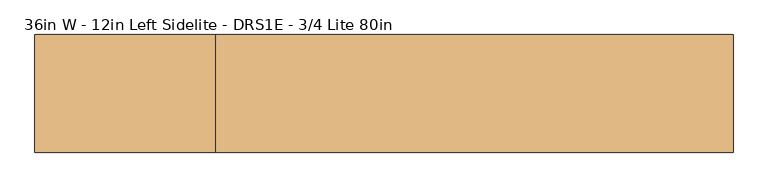
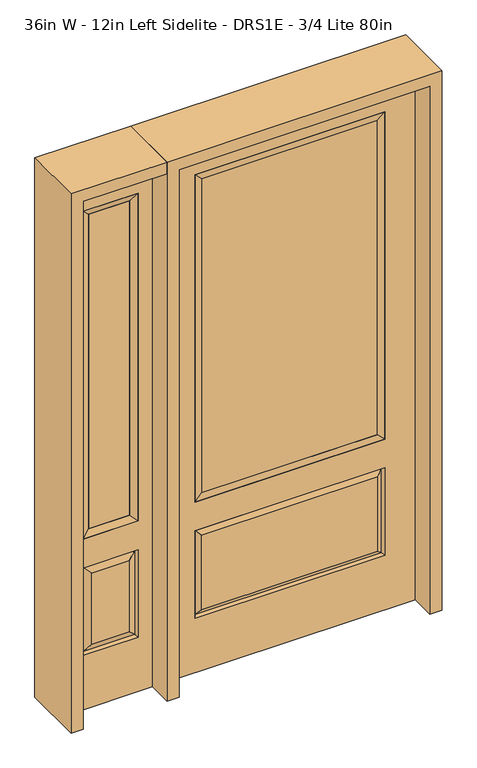
"""IFC4 building model written with IfcOpenShell, lengths in millimetres: door geometry, 36in W - 12in Left Sidelite - DRS1E - 3/4 Lite 80in."""

from ifc_helpers import new_model, si_unit, frame, origin, place, context, project, spatial, polyline, outline, extrude, faceted_brep, source, transform, mapped, element, save


def door_36in_w_12in_left_sidelite_drs1e_3_4_lite_80in_c12c0aec(model_context):
    return source(origin(), model_context, "Body", "SolidModel", [
        faceted_brep([(-806.45, -22.225, 0.0), (-501.65, -22.225, 0.0), (-501.65, -22.225, 2032.0), (-806.45, -22.225, 2032.0), (-553.72, -22.225, 1919.224), (-553.72, -22.225, 657.098), (-754.38, -22.225, 657.098), (-754.38, -22.225, 1919.224), (-553.72, -22.225, 209.55), (-754.38, -22.225, 209.55), (-754.38, -22.225, 546.1), (-553.72, -22.225, 546.1), (-722.6648999, -22.225, 241.2651001), (-585.4351001, -22.225, 241.2651001), (-585.4351001, -22.225, 514.3848999), (-722.6648999, -22.225, 514.3848999), (-806.45, 22.225, 0.0), (-806.45, 22.225, 2032.0), (-501.65, 22.225, 2032.0), (-501.65, 22.225, 0.0), (-553.72, 22.225, 1919.224), (-754.38, 22.225, 1919.224), (-754.38, 22.225, 657.098), (-553.72, 22.225, 657.098), (-754.38, 22.225, 209.55), (-553.72, 22.225, 209.55), (-553.72, 22.225, 546.1), (-754.38, 22.225, 546.1), (-585.4351001, 22.225, 241.2651001), (-722.6648999, 22.225, 241.2651001), (-722.6648999, 22.225, 514.3848999), (-585.4351001, 22.225, 514.3848999), (-560.8288501, 12.7912373, 216.6588501), (-747.2711499, 12.7912373, 216.6588501), (-747.2711499, 12.7912373, 538.9911499), (-560.8288501, 12.7912373, 538.9911499), (-747.2711499, -12.7912373, 216.6588501), (-560.8288501, -12.7912373, 216.6588501), (-747.2711499, -12.7912373, 538.9911499), (-560.8288501, -12.7912373, 538.9911499)], [[[0, 1, 2, 3], [4, 5, 6, 7], [8, 9, 10, 11]], [[12, 13, 14, 15]], [[16, 17, 18, 19], [20, 21, 22, 23], [24, 25, 26, 27]], [[28, 29, 30, 31]], [[1, 0, 16, 19]], [[2, 1, 19, 18]], [[3, 2, 18, 17]], [[0, 3, 17, 16]], [[5, 4, 20, 23]], [[6, 5, 23, 22]], [[7, 6, 22, 21]], [[4, 7, 21, 20]], [[32, 33, 29, 28]], [[33, 32, 25, 24]], [[29, 33, 34, 30]], [[33, 24, 27, 34]], [[30, 34, 35, 31]], [[34, 27, 26, 35]], [[32, 28, 31, 35]], [[25, 32, 35, 26]], [[12, 36, 37, 13]], [[37, 36, 9, 8]], [[36, 12, 15, 38]], [[9, 36, 38, 10]], [[38, 15, 14, 39]], [[10, 38, 39, 11]], [[13, 37, 39, 14]], [[37, 8, 11, 39]]]),
        faceted_brep([(-754.38, 22.225, 1919.224), (-754.38, -22.225, 1919.224), (-553.72, -22.225, 1919.224), (-553.72, 22.225, 1919.224), (-728.98, 12.7, 1893.824), (-579.12, 12.7, 1893.824), (-728.98, -12.7, 1893.824), (-579.12, -12.7, 1893.824), (-553.72, -22.225, 657.098), (-553.72, 22.225, 657.098), (-579.12, 12.7, 682.498), (-579.12, -12.7, 682.498), (-754.38, -22.225, 657.098), (-754.38, 22.225, 657.098), (-728.98, 12.7, 682.498), (-728.98, -12.7, 682.498)], [[[0, 1, 2, 3]], [[4, 0, 3, 5]], [[6, 4, 5, 7]], [[1, 6, 7, 2]], [[3, 2, 8, 9]], [[5, 3, 9, 10]], [[7, 5, 10, 11]], [[2, 7, 11, 8]], [[9, 8, 12, 13]], [[10, 9, 13, 14]], [[11, 10, 14, 15]], [[8, 11, 15, 12]], [[13, 12, 1, 0]], [[14, 13, 0, 4]], [[15, 14, 4, 6]], [[12, 15, 6, 1]]]),
        extrude(outline(polyline([(-579.12, -12.7), (-728.98, -12.7), (-728.98, 12.7), (-579.12, 12.7), (-579.12, -12.7)])), frame((0.0, 0.0, 682.498), z_axis=(0.0, 0.0, 1.0), x_axis=(1.0, 0.0, 0.0)), (0.0, 0.0, 1.0), 1211.326),
        faceted_brep([(-338.9661499, -12.7912373, 216.6588501), (338.9661499, -12.7912373, 216.6588501), (321.46875, -22.225, 234.15625), (-321.46875, -22.225, 234.15625), (-346.075, -22.225, 209.55), (346.075, -22.225, 209.55), (-338.9661499, -12.7912373, 538.9911499), (-346.075, -22.225, 546.1), (321.46875, -22.225, 521.49375), (-321.46875, -22.225, 521.49375), (457.2, -22.225, 2032.0), (-457.2, -22.225, 2032.0), (-457.2, -22.225, 0.0), (457.2, -22.225, 0.0), (346.075, -22.225, 546.1), (346.075, -22.225, 1917.7), (346.075, -22.225, 657.098), (-346.075, -22.225, 657.098), (-346.075, -22.225, 1917.7), (338.9661499, -12.7912373, 538.9911499), (-457.2, 22.225, 2032.0), (-457.2, 22.225, 0.0), (457.2, 22.225, 0.0), (457.2, 22.225, 2032.0), (346.075, 22.225, 1917.7), (346.075, 22.225, 657.098), (-346.075, 22.225, 657.098), (-346.075, 22.225, 1917.7), (-346.075, 22.225, 209.55), (346.075, 22.225, 209.55), (346.075, 22.225, 546.1), (-346.075, 22.225, 546.1), (321.46875, 22.225, 234.15625), (-321.46875, 22.225, 234.15625), (-321.46875, 22.225, 521.49375), (321.46875, 22.225, 521.49375), (-338.9661499, 12.7912373, 216.6588501), (338.9661499, 12.7912373, 216.6588501), (338.9661499, 12.7912373, 538.9911499), (-338.9661499, 12.7912373, 538.9911499)], [[[0, 1, 2, 3]], [[1, 0, 4, 5]], [[4, 0, 6, 7]], [[3, 2, 8, 9]], [[10, 11, 12, 13], [5, 4, 7, 14], [15, 16, 17, 18]], [[1, 5, 14, 19]], [[2, 1, 19, 8]], [[0, 3, 9, 6]], [[7, 6, 19, 14]], [[6, 9, 8, 19]], [[12, 11, 20, 21]], [[13, 12, 21, 22]], [[10, 13, 22, 23]], [[16, 15, 24, 25]], [[17, 16, 25, 26]], [[18, 17, 26, 27]], [[23, 22, 21, 20], [28, 29, 30, 31], [24, 27, 26, 25]], [[32, 33, 34, 35]], [[28, 36, 37, 29]], [[29, 37, 38, 30]], [[39, 31, 30, 38]], [[36, 28, 31, 39]], [[37, 36, 33, 32]], [[33, 36, 39, 34]], [[34, 39, 38, 35]], [[37, 32, 35, 38]], [[11, 10, 23, 20]], [[15, 18, 27, 24]]]),
        faceted_brep([(-346.075, -22.225, 1917.7), (-346.075, 22.225, 1917.7), (-346.075, 22.225, 657.098), (-346.075, -22.225, 657.098), (346.075, 22.225, 657.098), (346.075, -22.225, 657.098), (-320.675, 5.08, 682.498), (320.675, 5.08, 682.498), (346.075, 22.225, 1917.7), (346.075, -22.225, 1917.7), (-320.675, -20.32, 682.498), (320.675, -20.32, 682.498), (-320.675, -20.32, 1892.3), (320.675, -20.32, 1892.3), (-320.675, 5.08, 1892.3), (320.675, 5.08, 1892.3)], [[[0, 1, 2, 3]], [[3, 2, 4, 5]], [[2, 6, 7, 4]], [[5, 4, 8, 9]], [[10, 3, 5, 11]], [[12, 0, 3, 10]], [[11, 5, 9, 13]], [[6, 10, 11, 7]], [[14, 12, 10, 6]], [[7, 11, 13, 15]], [[1, 14, 6, 2]], [[4, 7, 15, 8]], [[9, 8, 1, 0]], [[13, 9, 0, 12]], [[15, 13, 12, 14]], [[8, 15, 14, 1]]]),
        extrude(outline(polyline([(320.675, -20.32), (-320.675, -20.32), (-320.675, 5.08), (320.675, 5.08), (320.675, -20.32)])), frame((0.0, 0.0, 682.498), z_axis=(0.0, 0.0, 1.0), x_axis=(1.0, 0.0, 0.0)), (0.0, 0.0, 1.0), 1209.802),
        extrude(outline(polyline([(2032.0, -501.65), (2076.45, -501.65), (2076.45, -850.9), (0.0, -850.9), (0.0, -806.45), (2032.0, -806.45), (2032.0, -501.65)])), frame((0.0, -114.3, 0.0), z_axis=(0.0, 1.0, 0.0), x_axis=(0.0, 0.0, 1.0)), (0.0, 0.0, 1.0), 228.6),
        extrude(outline(polyline([(2076.45, -501.65), (0.0, -501.65), (0.0, -457.2), (2032.0, -457.2), (2032.0, 457.2), (0.0, 457.2), (0.0, 501.65), (2076.45, 501.65), (2076.45, -501.65)])), frame((0.0, -114.3, 0.0), z_axis=(0.0, 1.0, 0.0), x_axis=(0.0, 0.0, 1.0)), (0.0, 0.0, 1.0), 228.6),
    ])


if __name__ == "__main__":
    model = new_model("IFC4")
    model_context = context("Model", 3, world=origin())
    ifc_project = project(units=[si_unit("LENGTHUNIT", "METRE", prefix="MILLI")], contexts=[model_context])
    site = spatial("IfcSite", under=ifc_project)
    building = spatial("IfcBuilding", under=site)
    placement = place(None, origin())
    door_36in_w_12in_left_sidelite_drs1e_3_4_lite_80in_shape = door_36in_w_12in_left_sidelite_drs1e_3_4_lite_80in_c12c0aec(model_context)
    element("IfcDoor", 1, ObjectType="36in W - 12in Left Sidelite - DRS1E - 3/4 Lite 80in", at=placement, inside=building, context=model_context, shape_type="MappedRepresentation", body=[
        mapped(door_36in_w_12in_left_sidelite_drs1e_3_4_lite_80in_shape, transform((0.0, 0.0, 0.0), x_axis=(1.0, 0.0, 0.0), y_axis=(0.0, 1.0, 0.0), z_axis=(0.0, 0.0, 1.0))),
    ])
    save(model, "model.ifc")
